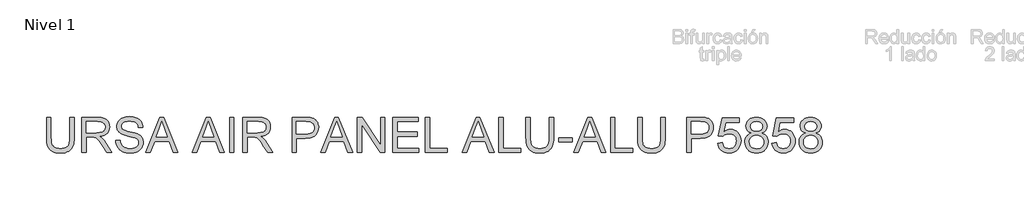
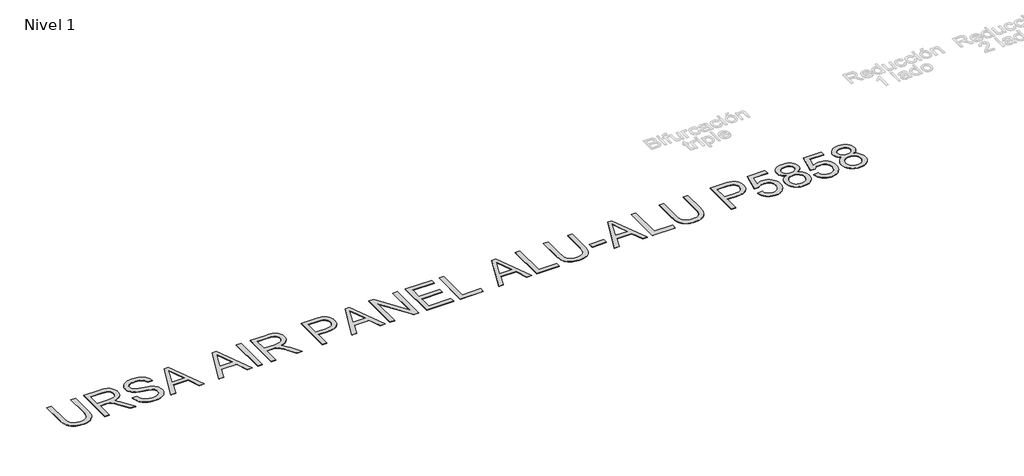
# One storey, part 3 of 7: 1 proxy.
"""IFC4 building model written with IfcOpenShell, lengths in millimetres."""

from ifc_helpers import new_model, si_unit, origin, origin_with_axes, place, context, project, spatial, polyline, outline, extrude, element, save

model = new_model("IFC4")

# Units and contexts
model_context = context("Model", 3, world=origin())
ifc_project = project(units=[si_unit("LENGTHUNIT", "METRE", prefix="MILLI")], contexts=[model_context])

# Site, building, storey
site = spatial("IfcSite", under=ifc_project)
building = spatial("IfcBuilding", under=site)
storey = spatial("IfcBuildingStorey", under=building, Name="Nivel 1", Elevation=0.0)

# Proxy
placement = place(None, origin())
element("IfcBuildingElementProxy", 1, Name="Texto de modelo 2", ObjectType="Texto de modelo 2", at=placement, inside=storey, context=model_context, shape_type="SweptSolid", body=[
    extrude(outline(polyline([(-18320.4561422, -6411.7617022), (-18194.8857545, -6411.7617022), (-18194.8857545, -6991.2984719), (-18197.0164044, -7063.0584536), (-18203.4083541, -7127.0162713), (-18214.0616035, -7183.171925), (-18228.9761527, -7231.5254148), (-18249.4395887, -7273.9084863), (-18276.7394984, -7312.1528854), (-18310.8758819, -7346.258612), (-18351.8487391, -7376.2256662), (-18399.7040553, -7400.6361694), (-18454.4878158, -7418.0722432), (-18516.2000205, -7428.5338874), (-18584.8406694, -7432.0211022), (-18651.7875283, -7428.9860757), (-18712.3424376, -7419.8809963), (-18766.5053971, -7404.705864), (-18814.2764071, -7383.4606788), (-18855.6631315, -7356.4596732), (-18890.6732347, -7324.0170797), (-18919.3067167, -7286.1328984), (-18941.5635774, -7242.8071293), (-18958.2485587, -7192.5529159), (-18970.1664025, -7133.8834019), (-18977.3171088, -7066.7985872), (-18979.7006776, -6991.2984719), (-18979.7006776, -6411.7617022), (-18854.1302899, -6411.7617022), (-18854.1302899, -6986.883888), (-18852.5821198, -7047.5920814), (-18847.9376096, -7099.73169), (-18840.1967593, -7143.3027138), (-18829.3595689, -7178.3051528), (-18814.751588, -7207.2681957), (-18795.6983663, -7232.7210313), (-18772.1999039, -7254.6636594), (-18744.2562006, -7273.0960802), (-18712.4037512, -7287.6887327), (-18677.1790502, -7298.1120559), (-18638.5820975, -7304.3660498), (-18596.6128932, -7306.4507145), (-18527.4050929, -7302.3273704), (-18468.8965273, -7289.9573384), (-18421.0871963, -7269.3406182), (-18401.1947438, -7255.9397501), (-18383.9771, -7240.47721), (-18369.0893755, -7222.0831102), (-18356.186681, -7199.8875632), (-18336.3363817, -7144.0921273), (-18324.4262021, -7073.0909022), (-18320.4561422, -6986.883888), (-18320.4561422, -6411.7617022)])), origin_with_axes(), (0.0, 0.0, 1.0), 10.0),
    extrude(outline(polyline([(-17975.1375761, -7416.3248037), (-17975.1375761, -6411.7617022), (-17542.2630951, -6411.7617022), (-17480.1293589, -6413.4554922), (-17425.9204141, -6418.5368623), (-17379.6362606, -6427.0058124), (-17341.2768984, -6438.8623425), (-17308.6120429, -6455.0184935), (-17279.4114095, -6476.386306), (-17253.6749983, -6502.9657802), (-17231.4028091, -6534.7569159), (-17213.4302408, -6570.0505948), (-17200.592692, -6607.1376985), (-17192.8901628, -6646.0182268), (-17190.322653, -6686.6921799), (-17194.5762886, -6738.2876298), (-17207.3371953, -6785.6524366), (-17228.6053731, -6828.7866006), (-17258.3808221, -6867.6901216), (-17297.0467527, -6901.1213979), (-17344.9863752, -6927.8388278), (-17402.1996896, -6947.8424113), (-17468.686696, -6961.1321483), (-17427.2999716, -6988.171475), (-17397.317589, -7014.8429196), (-17345.8754233, -7075.8500172), (-17295.5369036, -7144.0921273), (-17128.0279685, -7416.3248037), (-17273.9544933, -7416.3248037), (-17404.6752289, -7208.1035944), (-17456.9757859, -7128.6410835), (-17499.0982743, -7070.2704736), (-17534.200348, -7030.0793656), (-17565.4396608, -7005.1553604), (-17595.0235045, -6990.5320511), (-17625.1591713, -6981.2430307), (-17697.9998064, -6976.8284468), (-17849.5671884, -6976.8284468), (-17849.5671884, -7416.3248037), (-17975.1375761, -7416.3248037)]), holes=[polyline([(-17849.5671884, -6851.2580591), (-17568.5053441, -6851.2580591), (-17487.785903, -6846.8128183), (-17425.1539933, -6833.477096), (-17399.969405, -6823.2530422), (-17378.0037842, -6810.361844), (-17359.2571309, -6794.8035013), (-17343.729445, -6776.5780141), (-17331.5510181, -6756.5820948), (-17322.8521418, -6735.7124558), (-17317.632816, -6713.969097), (-17315.8930407, -6691.3520185), (-17319.2116429, -6659.238986), (-17329.1674494, -6630.0996663), (-17345.7604602, -6603.9340594), (-17368.9906753, -6580.7421653), (-17399.3945894, -6561.7502573), (-17437.5086969, -6548.1846087), (-17483.332998, -6540.0452196), (-17536.8674925, -6537.3320899), (-17849.5671884, -6537.3320899), (-17849.5671884, -6851.2580591)])]), origin_with_axes(), (0.0, 0.0, 1.0), 10.0),
    extrude(outline(polyline([(-17017.6633699, -7071.0062376), (-16892.0929823, -7071.0062376), (-16886.3448261, -7107.5568466), (-16877.6842708, -7140.6892188), (-16866.1113164, -7170.4033541), (-16851.6259628, -7196.6992526), (-16833.4924461, -7220.1057445), (-16810.9750023, -7241.1516603), (-16784.0736314, -7259.837), (-16752.7883334, -7276.1617635), (-16718.2687395, -7289.4131796), (-16681.664481, -7298.8784767), (-16642.9755579, -7304.557655), (-16602.2019701, -7306.4507145), (-16532.2430773, -7300.7178867), (-16500.5285836, -7293.551852), (-16470.9907251, -7283.5194034), (-16444.3576015, -7270.9807588), (-16421.3573126, -7256.2961358), (-16401.9898584, -7239.4655345), (-16386.2552389, -7220.4889549), (-16374.076812, -7200.1864673), (-16365.3779357, -7179.378142), (-16360.1586099, -7158.0639789), (-16358.4188346, -7136.243978), (-16363.6304962, -7094.2134601), (-16379.265481, -7057.8851131), (-16392.4172623, -7041.7672831), (-16411.0259599, -7026.891055), (-16435.0915738, -7013.2564285), (-16464.6141039, -7000.8634038), (-16530.9248335, -6981.1510602), (-16647.4514555, -6952.9161171), (-16767.4729564, -6921.186295), (-16811.2739064, -6905.8961996), (-16844.2683229, -6890.9893146), (-16877.7992339, -6870.9857311), (-16906.7776052, -6848.7441988), (-16931.2034369, -6824.2647177), (-16951.0767288, -6797.5472878), (-16966.4741232, -6768.8678206), (-16977.472262, -6738.5022276), (-16984.0711453, -6706.4505088), (-16986.270773, -6672.7126641), (-16983.5499791, -6635.3189921), (-16975.3875973, -6599.1669219), (-16961.7836277, -6564.2564534), (-16942.7380703, -6530.5875866), (-16918.4655228, -6499.5322149), (-16889.1805831, -6472.4622314), (-16854.8832513, -6449.3776362), (-16815.5735273, -6430.2784293), (-16772.5773191, -6415.3102306), (-16727.2205348, -6404.6186601), (-16679.5031743, -6398.2037178), (-16629.4252377, -6396.0654037), (-16574.7947614, -6398.3033525), (-16523.4752231, -6405.017199), (-16475.4666227, -6416.206943), (-16430.7689603, -6431.8725846), (-16390.2099703, -6451.8761681), (-16354.6173873, -6476.0797377), (-16323.9912112, -6504.4832934), (-16298.331442, -6537.0868352), (-16277.8373492, -6572.9400013), (-16262.7082022, -6611.0924299), (-16252.9440009, -6651.544121), (-16248.5447454, -6694.2950745), (-16374.1151331, -6694.2950745), (-16382.5151053, -6654.2265939), (-16397.1690714, -6619.3697748), (-16418.0770315, -6589.7246174), (-16445.2389855, -6565.2911215), (-16479.1607711, -6546.1919146), (-16520.3482261, -6532.5496239), (-16568.8013506, -6524.3642496), (-16624.5201444, -6521.6357914), (-16682.0170346, -6524.3335927), (-16731.1446094, -6532.4269966), (-16771.9028688, -6545.9160031), (-16804.2918127, -6564.8006122), (-16828.9705633, -6587.501997), (-16846.5982422, -6612.4413306), (-16857.1748496, -6639.618613), (-16860.7003853, -6669.0338442), (-16858.2018535, -6694.3410597), (-16850.7062578, -6717.2876992), (-16838.2135984, -6737.8737625), (-16820.7238752, -6756.0992497), (-16793.1940392, -6773.3590466), (-16749.8452775, -6790.8027846), (-16690.6775899, -6808.4304635), (-16615.6909766, -6826.2420834), (-16477.244719, -6859.903286), (-16428.5310115, -6875.1244035), (-16393.4902515, -6889.2725319), (-16354.9929335, -6910.7169866), (-16321.9065466, -6934.8285857), (-16294.2310906, -6961.6073292), (-16271.9665657, -6991.0532173), (-16254.8523887, -7023.0129656), (-16242.6279766, -7057.3332901), (-16235.2933293, -7094.0141907), (-16232.8484469, -7133.0556674), (-16235.6612113, -7172.3347346), (-16244.0995046, -7210.4641706), (-16258.1633267, -7247.4439753), (-16277.8526776, -7283.2741488), (-16302.8226681, -7316.5674693), (-16332.7284086, -7345.9367153), (-16367.5698992, -7371.3818866), (-16407.3471399, -7392.9029833), (-16450.9028353, -7410.0171603), (-16497.0796899, -7422.2415725), (-16545.8777038, -7429.5762197), (-16597.2968768, -7432.0211022), (-16661.530606, -7429.3846145), (-16720.3227473, -7421.4751516), (-16773.6733009, -7408.2927135), (-16821.5822665, -7389.8373), (-16864.3408842, -7366.0782545), (-16902.240394, -7336.9849201), (-16935.2807957, -7302.5572967), (-16963.4620893, -7262.7953844), (-16986.1634741, -7218.9867701), (-17002.7641491, -7172.4190409), (-17013.2641144, -7123.0921967), (-17017.6633699, -7071.0062376)])), origin_with_axes(), (0.0, 0.0, 1.0), 10.0),
    extrude(outline(polyline([(-16161.4793398, -7416.3248037), (-15760.4879651, -6411.7617022), (-15653.5569318, -6411.7617022), (-15252.5655571, -7416.3248037), (-15385.24833, -7416.3248037), (-15500.2727672, -7102.3988345), (-15914.0173844, -7102.3988345), (-16028.7965669, -7416.3248037), (-16161.4793398, -7416.3248037)]), holes=[polyline([(-15867.9095077, -6976.8284468), (-15546.1353892, -6976.8284468), (-15636.6343601, -6729.8570007), (-15707.0224485, -6537.3320899), (-15769.5623876, -6708.2745903), (-15867.9095077, -6976.8284468)])]), origin_with_axes(), (0.0, 0.0, 1.0), 10.0),
    extrude(outline(polyline([(-14842.9902691, -7416.3248037), (-14441.9988944, -6411.7617022), (-14335.0678611, -6411.7617022), (-13934.0764864, -7416.3248037), (-14066.7592593, -7416.3248037), (-14181.7836965, -7102.3988345), (-14595.5283137, -7102.3988345), (-14710.3074962, -7416.3248037), (-14842.9902691, -7416.3248037)]), holes=[polyline([(-14549.420437, -6976.8284468), (-14227.6463185, -6976.8284468), (-14318.1452893, -6729.8570007), (-14388.5333778, -6537.3320899), (-14451.0733169, -6708.2745903), (-14549.420437, -6976.8284468)])]), origin_with_axes(), (0.0, 0.0, 1.0), 10.0),
    extrude(outline(polyline([(-13784.225887, -7416.3248037), (-13784.225887, -6411.7617022), (-13658.6554993, -6411.7617022), (-13658.6554993, -7416.3248037), (-13784.225887, -7416.3248037)])), origin_with_axes(), (0.0, 0.0, 1.0), 10.0),
    extrude(outline(polyline([(-13407.5147239, -7416.3248037), (-13407.5147239, -6411.7617022), (-12974.640243, -6411.7617022), (-12912.5065068, -6413.4554922), (-12858.297562, -6418.5368623), (-12812.0134085, -6427.0058124), (-12773.6540463, -6438.8623425), (-12740.9891908, -6455.0184935), (-12711.7885574, -6476.386306), (-12686.0521462, -6502.9657802), (-12663.779957, -6534.7569159), (-12645.8073887, -6570.0505948), (-12632.9698399, -6607.1376985), (-12625.2673107, -6646.0182268), (-12622.6998009, -6686.6921799), (-12626.9534365, -6738.2876298), (-12639.7143432, -6785.6524366), (-12660.982521, -6828.7866006), (-12690.75797, -6867.6901216), (-12729.4239005, -6901.1213979), (-12777.363523, -6927.8388278), (-12834.5768375, -6947.8424113), (-12901.0638439, -6961.1321483), (-12859.6771195, -6988.171475), (-12829.6947369, -7014.8429196), (-12778.2525712, -7075.8500172), (-12727.9140515, -7144.0921273), (-12560.4051164, -7416.3248037), (-12706.3316411, -7416.3248037), (-12837.0523768, -7208.1035944), (-12889.3529337, -7128.6410835), (-12931.4754222, -7070.2704736), (-12966.5774959, -7030.0793656), (-12997.8168087, -7005.1553604), (-13027.4006524, -6990.5320511), (-13057.5363192, -6981.2430307), (-13130.3769542, -6976.8284468), (-13281.9443363, -6976.8284468), (-13281.9443363, -7416.3248037), (-13407.5147239, -7416.3248037)]), holes=[polyline([(-13281.9443363, -6851.2580591), (-13000.8824919, -6851.2580591), (-12920.1630508, -6846.8128183), (-12857.5311412, -6833.477096), (-12832.3465529, -6823.2530422), (-12810.3809321, -6810.361844), (-12791.6342788, -6794.8035013), (-12776.1065929, -6776.5780141), (-12763.928166, -6756.5820948), (-12755.2292897, -6735.7124558), (-12750.0099639, -6713.969097), (-12748.2701886, -6691.3520185), (-12751.5887908, -6659.238986), (-12761.5445972, -6630.0996663), (-12778.1376081, -6603.9340594), (-12801.3678232, -6580.7421653), (-12831.7717373, -6561.7502573), (-12869.8858448, -6548.1846087), (-12915.7101459, -6540.0452196), (-12969.2446404, -6537.3320899), (-13281.9443363, -6537.3320899), (-13281.9443363, -6851.2580591)])]), origin_with_axes(), (0.0, 0.0, 1.0), 10.0),
    extrude(outline(polyline([(-12010.5441609, -7416.3248037), (-12010.5441609, -6411.7617022), (-11638.2475818, -6411.7617022), (-11551.5500583, -6414.1529352), (-11488.1517278, -6421.3266341), (-11453.2106024, -6428.8605508), (-11421.2278615, -6439.1995677), (-11392.2035049, -6452.3436848), (-11366.1375327, -6468.2929021), (-11342.7540334, -6487.3767806), (-11321.7770955, -6509.9248812), (-11303.2067189, -6535.937204), (-11287.0429037, -6565.4137489), (-11273.9524361, -6597.3811614), (-11264.602102, -6630.8660872), (-11258.9919016, -6665.8685262), (-11257.1218348, -6702.3884784), (-11262.172548, -6764.0546978), (-11277.3246877, -6820.7851672), (-11302.5782538, -6872.5798864), (-11337.9332464, -6919.4388555), (-11360.1690305, -6940.2471809), (-11386.4706772, -6958.2810629), (-11416.8381862, -6973.5405015), (-11451.2715578, -6986.0254967), (-11489.7707918, -6995.7360485), (-11532.3358882, -7002.672157), (-11629.6636686, -7008.2210437), (-11884.9737732, -7008.2210437), (-11884.9737732, -7416.3248037), (-12010.5441609, -7416.3248037)]), holes=[polyline([(-11884.9737732, -6882.650656), (-11622.3060287, -6882.650656), (-11561.9120678, -6879.7689137), (-11510.9604115, -6871.1236868), (-11469.4510597, -6856.7149754), (-11437.3840124, -6836.5427793), (-11413.4563543, -6811.1435932), (-11396.36517, -6781.0539117), (-11386.1104594, -6746.2737347), (-11382.6922225, -6706.8030623), (-11384.7079093, -6677.49513), (-11390.7549696, -6650.3944897), (-11400.8334034, -6625.5011414), (-11414.9432107, -6602.815085), (-11432.3332992, -6583.0720846), (-11452.2525764, -6567.0079042), (-11474.7010423, -6554.6225437), (-11499.678697, -6545.9160031), (-11548.116493, -6539.4780682), (-11625.2490846, -6537.3320899), (-11884.9737732, -6537.3320899), (-11884.9737732, -6882.650656)])]), origin_with_axes(), (0.0, 0.0, 1.0), 10.0),
    extrude(outline(polyline([(-11201.4490262, -7416.3248037), (-10800.4576515, -6411.7617022), (-10693.5266182, -6411.7617022), (-10292.5352435, -7416.3248037), (-10425.2180164, -7416.3248037), (-10540.2424535, -7102.3988345), (-10953.9870708, -7102.3988345), (-11068.7662533, -7416.3248037), (-11201.4490262, -7416.3248037)]), holes=[polyline([(-10907.8791941, -6976.8284468), (-10586.1050756, -6976.8284468), (-10676.6040464, -6729.8570007), (-10746.9921348, -6537.3320899), (-10809.532074, -6708.2745903), (-10907.8791941, -6976.8284468)])]), origin_with_axes(), (0.0, 0.0, 1.0), 10.0),
    extrude(outline(polyline([(-10158.3809425, -7416.3248037), (-10158.3809425, -6411.7617022), (-10023.981387, -6411.7617022), (-9499.1364072, -7207.6130851), (-9499.1364072, -6411.7617022), (-9373.5660195, -6411.7617022), (-9373.5660195, -7416.3248037), (-9507.9655751, -7416.3248037), (-10032.8105549, -6620.2281661), (-10032.8105549, -7416.3248037), (-10158.3809425, -7416.3248037)])), origin_with_axes(), (0.0, 0.0, 1.0), 10.0),
    extrude(outline(polyline([(-9153.817841, -7416.3248037), (-9153.817841, -6411.7617022), (-8431.7881118, -6411.7617022), (-8431.7881118, -6537.3320899), (-9028.2474534, -6537.3320899), (-9028.2474534, -6835.5617606), (-8463.1807088, -6835.5617606), (-8463.1807088, -6961.1321483), (-9028.2474534, -6961.1321483), (-9028.2474534, -7290.754416), (-8416.0918134, -7290.754416), (-8416.0918134, -7416.3248037), (-9153.817841, -7416.3248037)])), origin_with_axes(), (0.0, 0.0, 1.0), 10.0),
    extrude(outline(polyline([(-8227.7362319, -7416.3248037), (-8227.7362319, -6411.7617022), (-8102.1658442, -6411.7617022), (-8102.1658442, -7290.754416), (-7599.8842934, -7290.754416), (-7599.8842934, -7416.3248037), (-8227.7362319, -7416.3248037)])), origin_with_axes(), (0.0, 0.0, 1.0), 10.0),
    extrude(outline(polyline([(-7183.1966202, -7416.3248037), (-6782.2052455, -6411.7617022), (-6675.2742122, -6411.7617022), (-6274.2828375, -7416.3248037), (-6406.9656104, -7416.3248037), (-6521.9900476, -7102.3988345), (-6935.7346648, -7102.3988345), (-7050.5138473, -7416.3248037), (-7183.1966202, -7416.3248037)]), holes=[polyline([(-6889.6267881, -6976.8284468), (-6567.8526696, -6976.8284468), (-6658.3516404, -6729.8570007), (-6728.7397288, -6537.3320899), (-6791.279668, -6708.2745903), (-6889.6267881, -6976.8284468)])]), origin_with_axes(), (0.0, 0.0, 1.0), 10.0),
    extrude(outline(polyline([(-6140.1285366, -7416.3248037), (-6140.1285366, -6411.7617022), (-6014.5581489, -6411.7617022), (-6014.5581489, -7290.754416), (-5512.2765981, -7290.754416), (-5512.2765981, -7416.3248037), (-6140.1285366, -7416.3248037)])), origin_with_axes(), (0.0, 0.0, 1.0), 10.0),
    extrude(outline(polyline([(-4711.7653766, -6411.7617022), (-4586.1949889, -6411.7617022), (-4586.1949889, -6991.2984719), (-4588.3256388, -7063.0584536), (-4594.7175885, -7127.0162713), (-4605.3708379, -7183.171925), (-4620.2853872, -7231.5254148), (-4640.7488231, -7273.9084863), (-4668.0487329, -7312.1528854), (-4702.1851163, -7346.258612), (-4743.1579735, -7376.2256662), (-4791.0132897, -7400.6361694), (-4845.7970502, -7418.0722432), (-4907.5092549, -7428.5338874), (-4976.1499038, -7432.0211022), (-5043.0967627, -7428.9860757), (-5103.651672, -7419.8809963), (-5157.8146316, -7404.705864), (-5205.5856415, -7383.4606788), (-5246.9723659, -7356.4596732), (-5281.9824691, -7324.0170797), (-5310.6159511, -7286.1328984), (-5332.8728118, -7242.8071293), (-5349.5577931, -7192.5529159), (-5361.4756369, -7133.8834019), (-5368.6263432, -7066.7985872), (-5371.009912, -6991.2984719), (-5371.009912, -6411.7617022), (-5245.4395243, -6411.7617022), (-5245.4395243, -6986.883888), (-5243.8913542, -7047.5920814), (-5239.246844, -7099.73169), (-5231.5059937, -7143.3027138), (-5220.6688033, -7178.3051528), (-5206.0608224, -7207.2681957), (-5187.0076007, -7232.7210313), (-5163.5091383, -7254.6636594), (-5135.5654351, -7273.0960802), (-5103.7129856, -7287.6887327), (-5068.4882846, -7298.1120559), (-5029.891332, -7304.3660498), (-4987.9221277, -7306.4507145), (-4918.7143273, -7302.3273704), (-4860.2057617, -7289.9573384), (-4812.3964307, -7269.3406182), (-4792.5039782, -7255.9397501), (-4775.2863345, -7240.47721), (-4760.39861, -7222.0831102), (-4747.4959154, -7199.8875632), (-4727.6456161, -7144.0921273), (-4715.7354365, -7073.0909022), (-4711.7653766, -6986.883888), (-4711.7653766, -6411.7617022)])), origin_with_axes(), (0.0, 0.0, 1.0), 10.0),
    extrude(outline(polyline([(-4444.9283028, -7118.0951329), (-4444.9283028, -6992.5247453), (-4052.5208413, -6992.5247453), (-4052.5208413, -7118.0951329), (-4444.9283028, -7118.0951329)])), origin_with_axes(), (0.0, 0.0, 1.0), 10.0),
    extrude(outline(polyline([(-4012.5443311, -7416.3248037), (-3611.5529564, -6411.7617022), (-3504.6219231, -6411.7617022), (-3103.6305484, -7416.3248037), (-3236.3133213, -7416.3248037), (-3351.3377585, -7102.3988345), (-3765.0823757, -7102.3988345), (-3879.8615582, -7416.3248037), (-4012.5443311, -7416.3248037)]), holes=[polyline([(-3718.974499, -6976.8284468), (-3397.2003805, -6976.8284468), (-3487.6993513, -6729.8570007), (-3558.0874397, -6537.3320899), (-3620.6273789, -6708.2745903), (-3718.974499, -6976.8284468)])]), origin_with_axes(), (0.0, 0.0, 1.0), 10.0),
    extrude(outline(polyline([(-2969.4762475, -7416.3248037), (-2969.4762475, -6411.7617022), (-2843.9058598, -6411.7617022), (-2843.9058598, -7290.754416), (-2341.624309, -7290.754416), (-2341.624309, -7416.3248037), (-2969.4762475, -7416.3248037)])), origin_with_axes(), (0.0, 0.0, 1.0), 10.0),
    extrude(outline(polyline([(-1541.1130875, -6411.7617022), (-1415.5426998, -6411.7617022), (-1415.5426998, -6991.2984719), (-1417.6733497, -7063.0584536), (-1424.0652994, -7127.0162713), (-1434.7185488, -7183.171925), (-1449.6330981, -7231.5254148), (-1470.096534, -7273.9084863), (-1497.3964438, -7312.1528854), (-1531.5328272, -7346.258612), (-1572.5056844, -7376.2256662), (-1620.3610007, -7400.6361694), (-1675.1447611, -7418.0722432), (-1736.8569658, -7428.5338874), (-1805.4976147, -7432.0211022), (-1872.4444736, -7428.9860757), (-1932.9993829, -7419.8809963), (-1987.1623425, -7404.705864), (-2034.9333524, -7383.4606788), (-2076.3200768, -7356.4596732), (-2111.33018, -7324.0170797), (-2139.963662, -7286.1328984), (-2162.2205227, -7242.8071293), (-2178.905504, -7192.5529159), (-2190.8233478, -7133.8834019), (-2197.9740541, -7066.7985872), (-2200.3576229, -6991.2984719), (-2200.3576229, -6411.7617022), (-2074.7872352, -6411.7617022), (-2074.7872352, -6986.883888), (-2073.2390651, -7047.5920814), (-2068.5945549, -7099.73169), (-2060.8537046, -7143.3027138), (-2050.0165142, -7178.3051528), (-2035.4085333, -7207.2681957), (-2016.3553116, -7232.7210313), (-1992.8568492, -7254.6636594), (-1964.913146, -7273.0960802), (-1933.0606966, -7287.6887327), (-1897.8359955, -7298.1120559), (-1859.2390429, -7304.3660498), (-1817.2698386, -7306.4507145), (-1748.0620382, -7302.3273704), (-1689.5534726, -7289.9573384), (-1641.7441416, -7269.3406182), (-1621.8516892, -7255.9397501), (-1604.6340454, -7240.47721), (-1589.7463209, -7222.0831102), (-1576.8436263, -7199.8875632), (-1556.993327, -7144.0921273), (-1545.0831474, -7073.0909022), (-1541.1130875, -6986.883888), (-1541.1130875, -6411.7617022)])), origin_with_axes(), (0.0, 0.0, 1.0), 10.0),
    extrude(outline(polyline([(-803.3870599, -7416.3248037), (-803.3870599, -6411.7617022), (-431.0904807, -6411.7617022), (-344.3929572, -6414.1529352), (-280.9946267, -6421.3266341), (-246.0535014, -6428.8605508), (-214.0707604, -6439.1995677), (-185.0464038, -6452.3436848), (-158.9804316, -6468.2929021), (-135.5969323, -6487.3767806), (-114.6199944, -6509.9248812), (-96.0496178, -6535.937204), (-79.8858027, -6565.4137489), (-66.795335, -6597.3811614), (-57.445001, -6630.8660872), (-51.8348005, -6665.8685262), (-49.9647337, -6702.3884784), (-55.015447, -6764.0546978), (-70.1675866, -6820.7851672), (-95.4211528, -6872.5798864), (-130.7761453, -6919.4388555), (-153.0119295, -6940.2471809), (-179.3135761, -6958.2810629), (-209.6810852, -6973.5405015), (-244.1144567, -6986.0254967), (-282.6136907, -6995.7360485), (-325.1787872, -7002.672157), (-422.5065675, -7008.2210437), (-677.8166722, -7008.2210437), (-677.8166722, -7416.3248037), (-803.3870599, -7416.3248037)]), holes=[polyline([(-677.8166722, -6882.650656), (-415.1489276, -6882.650656), (-354.7549667, -6879.7689137), (-303.8033104, -6871.1236868), (-262.2939586, -6856.7149754), (-230.2269114, -6836.5427793), (-206.2992533, -6811.1435932), (-189.2080689, -6781.0539117), (-178.9533583, -6746.2737347), (-175.5351214, -6706.8030623), (-177.5508082, -6677.49513), (-183.5978685, -6650.3944897), (-193.6763023, -6625.5011414), (-207.7861097, -6602.815085), (-225.1761982, -6583.0720846), (-245.0954753, -6567.0079042), (-267.5439413, -6554.6225437), (-292.5215959, -6545.9160031), (-340.9593919, -6539.4780682), (-418.0919836, -6537.3320899), (-677.8166722, -6537.3320899), (-677.8166722, -6882.650656)])]), origin_with_axes(), (0.0, 0.0, 1.0), 10.0),
    extrude(outline(polyline([(75.6056539, -7149.4877299), (201.1760416, -7133.7914314), (210.5570325, -7174.1588162), (224.22998, -7209.1765836), (242.1948841, -7238.8447336), (264.4517448, -7263.1632664), (290.9545769, -7282.1015249), (321.6573951, -7295.6288524), (356.5601993, -7303.745249), (395.6629898, -7306.4507145), (443.4876491, -7302.6875882), (485.6714512, -7291.3982095), (522.2143961, -7272.5825783), (553.1164837, -7246.2406946), (577.6879353, -7213.6754738), (595.2389721, -7176.1898313), (605.7695942, -7133.7837672), (609.2798016, -7086.4572814), (605.9918563, -7041.7289621), (596.1280203, -7001.9670498), (579.6882936, -6967.1715444), (556.6726763, -6937.342446), (527.0045262, -6913.4147879), (490.6072013, -6896.3236035), (447.4807016, -6886.0688929), (397.6250271, -6882.650656), (336.7099, -6888.1075723), (310.5979426, -6894.9287176), (287.3830558, -6904.4783211), (247.9890255, -6929.5556104), (216.8723401, -6961.1321483), (91.3019524, -6945.4358499), (201.1760416, -6427.4580007), (687.7612939, -6427.4580007), (687.7612939, -6553.0283883), (302.7114723, -6553.0283883), (249.000701, -6829.6756487), (293.315153, -6797.9151698), (338.7025942, -6775.2291134), (385.1630245, -6761.6174796), (432.6964439, -6757.0802683), (493.8491614, -6762.7057972), (550.0201436, -6779.5823837), (601.2093903, -6807.7100279), (647.4169018, -6847.0887298), (685.6689651, -6895.311928), (712.9918674, -6949.9730611), (729.3856088, -7011.0721292), (734.8501893, -7078.6091321), (729.9297676, -7143.6629316), (715.1685026, -7204.1795198), (690.5663941, -7260.1588967), (656.1234423, -7311.6010624), (631.1227951, -7339.8245092), (603.9455127, -7364.2848298), (574.5915952, -7384.9820241), (543.0610425, -7401.9160922), (509.3538547, -7415.0870341), (473.4700317, -7424.4948497), (435.4095736, -7430.139539), (395.1724804, -7432.0211022), (330.3715998, -7427.1849868), (271.8400415, -7412.6766406), (219.5778056, -7388.4960636), (173.584892, -7354.6432558), (135.3175003, -7312.8043431), (106.23183, -7264.6654512), (86.3278813, -7210.2265801), (75.6056539, -7149.4877299)])), origin_with_axes(), (0.0, 0.0, 1.0), 10.0),
    extrude(outline(polyline([(1027.6842575, -6863.0302829), (991.5628441, -6847.9471211), (960.4538228, -6829.9209034), (934.3571938, -6808.9516297), (913.272957, -6785.0393), (897.0171713, -6758.4138406), (885.4058958, -6729.3051777), (878.4391305, -6697.7133114), (876.1168755, -6663.6382416), (881.1752529, -6612.4260022), (896.3503852, -6565.4750625), (921.6422724, -6522.7854227), (957.0509144, -6484.3570826), (1000.8748571, -6452.5966037), (1051.4126462, -6429.9105473), (1108.6642817, -6416.2989135), (1172.6297636, -6411.7617022), (1236.9018138, -6416.4062124), (1294.582645, -6430.339743), (1345.672257, -6453.5622939), (1390.17065, -6486.0738652), (1426.2230856, -6525.2532977), (1451.9748252, -6568.4794321), (1467.425869, -6615.7522685), (1472.576217, -6667.0718069), (1470.2846187, -6699.943596), (1463.4098239, -6730.6234215), (1451.9518326, -6759.1112835), (1435.9106448, -6785.407182), (1415.2096183, -6809.1585633), (1389.7721112, -6830.0128739), (1359.5981234, -6847.9701138), (1324.6876549, -6863.0302829), (1365.9594162, -6880.588984), (1401.9735307, -6902.8535089), (1432.7299984, -6929.8238577), (1458.2288192, -6961.5000303), (1478.2400668, -6997.1769196), (1492.5338152, -7036.1494185), (1501.1100642, -7078.4175269), (1503.9688139, -7123.9812449), (1498.2972998, -7186.6131545), (1481.2827575, -7244.0334026), (1452.9251871, -7296.2419891), (1413.2245884, -7343.238914), (1389.6418197, -7364.0472393), (1364.2656262, -7382.0811213), (1337.096008, -7397.3405599), (1308.1329651, -7409.8255551), (1244.8266051, -7426.4722154), (1174.3465462, -7432.0211022), (1103.8664873, -7426.4492228), (1040.5601273, -7409.7335846), (1011.5970844, -7397.196856), (984.4274662, -7381.8741877), (959.0512727, -7363.7655797), (935.468504, -7342.871032), (895.7679054, -7295.5445462), (867.4103349, -7242.7151588), (850.3957926, -7184.3828699), (844.7242785, -7120.5476796), (847.6979913, -7072.9069612), (856.6191297, -7029.3129448), (871.4876937, -6989.7656303), (892.3036832, -6954.2650178), (918.6072459, -6923.4549007), (949.9385291, -6897.9790725), (986.297533, -6877.8375333), (1027.6842575, -6863.0302829)]), holes=[polyline([(970.2946662, -7116.1330956), (975.5369846, -7164.1723528), (991.2639399, -7210.6787684), (1003.7642636, -7232.2535146), (1020.2959607, -7251.2377584), (1040.8590314, -7267.6314998), (1065.4534756, -7281.4347388), (1119.5321289, -7300.1967206), (1175.3275649, -7306.4507145), (1220.7303344, -7303.1627691), (1260.7988151, -7293.2989331), (1295.5330068, -7276.8592065), (1324.9329096, -7253.8435892), (1348.3240731, -7225.754266), (1365.032047, -7194.0934218), (1375.0568314, -7158.8610565), (1378.3984262, -7120.0571702), (1374.9495325, -7080.6324831), (1364.6028514, -7044.7639886), (1347.3583829, -7012.4516867), (1323.2161269, -6983.6955774), (1293.0191465, -6960.089816), (1257.6105044, -6943.2285579), (1216.9902008, -6933.111803), (1171.1582356, -6929.7395514), (1126.4222521, -6933.0658178), (1086.8826019, -6943.0446169), (1052.5392848, -6959.6759488), (1023.3923009, -6982.9598134), (1000.1620857, -7011.2407418), (983.5690749, -7042.8632649), (973.6132684, -7077.8273829), (970.2946662, -7116.1330956)]), polyline([(1001.6872631, -6667.3170615), (1004.4693707, -6696.1038276), (1012.8156935, -6722.1314788), (1026.7262314, -6745.400015), (1046.2009846, -6765.9094362), (1070.9946982, -6782.648067), (1100.8621177, -6794.6042318), (1135.803243, -6801.7779308), (1175.8180742, -6804.1691637), (1214.8442225, -6801.7932592), (1249.0265912, -6794.6655455), (1278.3651803, -6782.7860228), (1302.8599899, -6766.1546909), (1322.1737946, -6746.0744653), (1335.9693694, -6723.8482614), (1344.2467143, -6699.4760793), (1347.0058293, -6672.9579188), (1344.1547438, -6645.4050902), (1335.6014874, -6620.1361956), (1321.3460601, -6597.1512351), (1301.3884619, -6576.4502087), (1276.3418294, -6559.3360317), (1246.8192993, -6547.1116196), (1212.8208715, -6539.7769723), (1174.3465462, -6537.3320899), (1135.5733168, -6539.7233229), (1101.4139407, -6546.8970218), (1071.8684179, -6558.8531866), (1046.9367485, -6575.5918174), (1027.1400987, -6595.672043), (1012.9996345, -6617.6529922), (1004.515356, -6641.534665), (1001.6872631, -6667.3170615)])]), origin_with_axes(), (0.0, 0.0, 1.0), 10.0),
    extrude(outline(polyline([(1613.8429031, -7149.4877299), (1739.4132908, -7133.7914314), (1748.7942817, -7174.1588162), (1762.4672292, -7209.1765836), (1780.4321333, -7238.8447336), (1802.688994, -7263.1632664), (1829.191826, -7282.1015249), (1859.8946442, -7295.6288524), (1894.7974485, -7303.745249), (1933.9002389, -7306.4507145), (1981.7248983, -7302.6875882), (2023.9087004, -7291.3982095), (2060.4516453, -7272.5825783), (2091.3537329, -7246.2406946), (2115.9251844, -7213.6754738), (2133.4762213, -7176.1898313), (2144.0068434, -7133.7837672), (2147.5170508, -7086.4572814), (2144.2291055, -7041.7289621), (2134.3652695, -7001.9670498), (2117.9255428, -6967.1715444), (2094.9099255, -6937.342446), (2065.2417754, -6913.4147879), (2028.8444505, -6896.3236035), (1985.7179508, -6886.0688929), (1935.8622762, -6882.650656), (1874.9471492, -6888.1075723), (1848.8351917, -6894.9287176), (1825.620305, -6904.4783211), (1786.2262747, -6929.5556104), (1755.1095893, -6961.1321483), (1629.5392016, -6945.4358499), (1739.4132908, -6427.4580007), (2225.9985431, -6427.4580007), (2225.9985431, -6553.0283883), (1840.9487215, -6553.0283883), (1787.2379502, -6829.6756487), (1831.5524022, -6797.9151698), (1876.9398433, -6775.2291134), (1923.4002736, -6761.6174796), (1970.9336931, -6757.0802683), (2032.0864106, -6762.7057972), (2088.2573927, -6779.5823837), (2139.4466395, -6807.7100279), (2185.6541509, -6847.0887298), (2223.9062142, -6895.311928), (2251.2291166, -6949.9730611), (2267.622858, -7011.0721292), (2273.0874385, -7078.6091321), (2268.1670168, -7143.6629316), (2253.4057517, -7204.1795198), (2228.8036433, -7260.1588967), (2194.3606915, -7311.6010624), (2169.3600442, -7339.8245092), (2142.1827619, -7364.2848298), (2112.8288443, -7384.9820241), (2081.2982917, -7401.9160922), (2047.5911038, -7415.0870341), (2011.7072809, -7424.4948497), (1973.6468228, -7430.139539), (1933.4097296, -7432.0211022), (1868.608849, -7427.1849868), (1810.0772907, -7412.6766406), (1757.8150548, -7388.4960636), (1711.8221412, -7354.6432558), (1673.5547495, -7312.8043431), (1644.4690792, -7264.6654512), (1624.5651304, -7210.2265801), (1613.8429031, -7149.4877299)])), origin_with_axes(), (0.0, 0.0, 1.0), 10.0),
    extrude(outline(polyline([(2565.9215066, -6863.0302829), (2529.8000932, -6847.9471211), (2498.691072, -6829.9209034), (2472.594443, -6808.9516297), (2451.5102061, -6785.0393), (2435.2544205, -6758.4138406), (2423.643145, -6729.3051777), (2416.6763797, -6697.7133114), (2414.3541246, -6663.6382416), (2419.4125021, -6612.4260022), (2434.5876344, -6565.4750625), (2459.8795215, -6522.7854227), (2495.2881636, -6484.3570826), (2539.1121062, -6452.5966037), (2589.6498953, -6429.9105473), (2646.9015308, -6416.2989135), (2710.8670127, -6411.7617022), (2775.139063, -6416.4062124), (2832.8198941, -6430.339743), (2883.9095062, -6453.5622939), (2928.4078992, -6486.0738652), (2964.4603347, -6525.2532977), (2990.2120744, -6568.4794321), (3005.6631182, -6615.7522685), (3010.8134661, -6667.0718069), (3008.5218679, -6699.943596), (3001.6470731, -6730.6234215), (2990.1890818, -6759.1112835), (2974.1478939, -6785.407182), (2953.4468675, -6809.1585633), (2928.0093604, -6830.0128739), (2897.8353726, -6847.9701138), (2862.9249041, -6863.0302829), (2904.1966654, -6880.588984), (2940.2107799, -6902.8535089), (2970.9672475, -6929.8238577), (2996.4660683, -6961.5000303), (3016.477316, -6997.1769196), (3030.7710644, -7036.1494185), (3039.3473134, -7078.4175269), (3042.2060631, -7123.9812449), (3036.534549, -7186.6131545), (3019.5200067, -7244.0334026), (2991.1624362, -7296.2419891), (2951.4618376, -7343.238914), (2927.8790688, -7364.0472393), (2902.5028754, -7382.0811213), (2875.3332572, -7397.3405599), (2846.3702143, -7409.8255551), (2783.0638543, -7426.4722154), (2712.5837954, -7432.0211022), (2642.1037365, -7426.4492228), (2578.7973765, -7409.7335846), (2549.8343335, -7397.196856), (2522.6647154, -7381.8741877), (2497.2885219, -7363.7655797), (2473.7057532, -7342.871032), (2434.0051545, -7295.5445462), (2405.6475841, -7242.7151588), (2388.6330418, -7184.3828699), (2382.9615277, -7120.5476796), (2385.9352405, -7072.9069612), (2394.8563789, -7029.3129448), (2409.7249428, -6989.7656303), (2430.5409324, -6954.2650178), (2456.8444951, -6923.4549007), (2488.1757783, -6897.9790725), (2524.5347822, -6877.8375333), (2565.9215066, -6863.0302829)]), holes=[polyline([(2539.9245123, -6667.3170615), (2542.7066199, -6696.1038276), (2551.0529427, -6722.1314788), (2564.9634806, -6745.400015), (2584.4382337, -6765.9094362), (2609.2319474, -6782.648067), (2639.0993668, -6794.6042318), (2674.0404922, -6801.7779308), (2714.0553234, -6804.1691637), (2753.0814717, -6801.7932592), (2787.2638404, -6794.6655455), (2816.6024295, -6782.7860228), (2841.097239, -6766.1546909), (2860.4110438, -6746.0744653), (2874.2066186, -6723.8482614), (2882.4839635, -6699.4760793), (2885.2430784, -6672.9579188), (2882.391993, -6645.4050902), (2873.8387366, -6620.1361956), (2859.5833093, -6597.1512351), (2839.625711, -6576.4502087), (2814.5790785, -6559.3360317), (2785.0565484, -6547.1116196), (2751.0581207, -6539.7769723), (2712.5837954, -6537.3320899), (2673.8105659, -6539.7233229), (2639.6511898, -6546.8970218), (2610.1056671, -6558.8531866), (2585.1739977, -6575.5918174), (2565.3773478, -6595.672043), (2551.2368837, -6617.6529922), (2542.7526051, -6641.534665), (2539.9245123, -6667.3170615)]), polyline([(2508.5319154, -7116.1330956), (2513.7742338, -7164.1723528), (2529.5011891, -7210.6787684), (2542.0015127, -7232.2535146), (2558.5332099, -7251.2377584), (2579.0962806, -7267.6314998), (2603.6907248, -7281.4347388), (2657.7693781, -7300.1967206), (2713.564814, -7306.4507145), (2758.9675836, -7303.1627691), (2799.0360642, -7293.2989331), (2833.770256, -7276.8592065), (2863.1701587, -7253.8435892), (2886.5613223, -7225.754266), (2903.2692962, -7194.0934218), (2913.2940806, -7158.8610565), (2916.6356754, -7120.0571702), (2913.1867817, -7080.6324831), (2902.8401005, -7044.7639886), (2885.595632, -7012.4516867), (2861.4533761, -6983.6955774), (2831.2563957, -6960.089816), (2795.8477536, -6943.2285579), (2755.22745, -6933.111803), (2709.3954847, -6929.7395514), (2664.6595013, -6933.0658178), (2625.119851, -6943.0446169), (2590.7765339, -6959.6759488), (2561.62955, -6982.9598134), (2538.3993349, -7011.2407418), (2521.806324, -7042.8632649), (2511.8505175, -7077.8273829), (2508.5319154, -7116.1330956)])]), origin_with_axes(), (0.0, 0.0, 1.0), 10.0),
])

save(model, "model.ifc")
